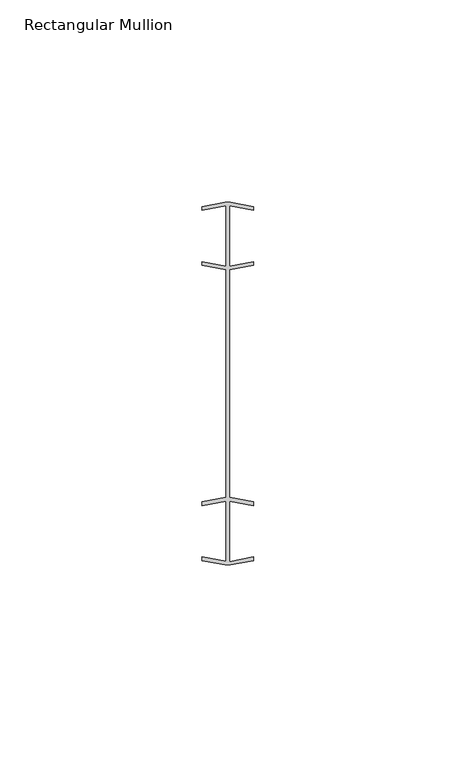
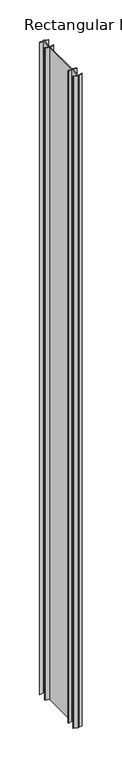
"""IFC4 building model written with IfcOpenShell, lengths in millimetres: member geometry, Rectangular Mullion."""

from ifc_helpers import new_model, si_unit, frame, origin, place, context, project, spatial, polyline, outline, extrude, source, transform, mapped, element, save


def rectangular_mullion_8b7d9c1f(model_context):
    return source(origin(), model_context, "Body", "SweptSolid", [
        extrude(outline(polyline([(0.396875, -29.0145986), (0.396875, -43.9590313), (6.3683652, -42.836815), (6.3683652, -43.7413773), (0.6520148, -44.8156455), (-0.6152845, -44.8156455), (-6.3316348, -43.7413773), (-6.3316348, -42.836815), (-0.396875, -43.9521286), (-0.396875, -29.0215013), (-6.3316348, -30.136815), (-6.3316348, -29.2322526), (-0.396875, -28.116939), (-0.396875, 28.116939), (-6.3316348, 29.2322526), (-6.3316348, 30.136815), (-0.396875, 29.0215013), (-0.396875, 43.9521286), (-6.3316348, 42.836815), (-6.3316348, 43.7413773), (-0.6152845, 44.8156455), (0.6520148, 44.8156455), (6.3683652, 43.7413773), (6.3683652, 42.836815), (0.396875, 43.9590313), (0.396875, 29.0145986), (6.3683652, 30.136815), (6.3683652, 29.2322526), (0.396875, 28.1100363), (0.396875, -28.1100363), (6.3683652, -29.2322526), (6.3683652, -30.136815), (0.396875, -29.0145986)])), frame((0.0, 0.0, -1016.0), z_axis=(0.0, 0.0, 1.0), x_axis=(1.0, 0.0, 0.0)), (0.0, 0.0, 1.0), 1016.0),
    ])


if __name__ == "__main__":
    model = new_model("IFC4")
    model_context = context("Model", 3, world=origin())
    ifc_project = project(units=[si_unit("LENGTHUNIT", "METRE", prefix="MILLI")], contexts=[model_context])
    site = spatial("IfcSite", under=ifc_project)
    building = spatial("IfcBuilding", under=site)
    placement = place(None, origin())
    rectangular_mullion_shape = rectangular_mullion_8b7d9c1f(model_context)
    element("IfcMember", 1, ObjectType="Rectangular Mullion", at=placement, inside=building, context=model_context, shape_type="MappedRepresentation", body=[
        mapped(rectangular_mullion_shape, transform((0.0, 0.0, 0.0), x_axis=(1.0, 0.0, 0.0), y_axis=(0.0, 1.0, 0.0), z_axis=(0.0, 0.0, 1.0))),
    ])
    save(model, "model.ifc")
